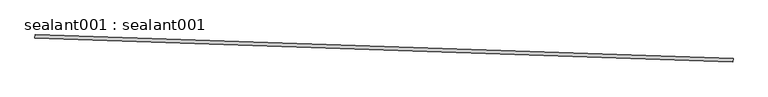
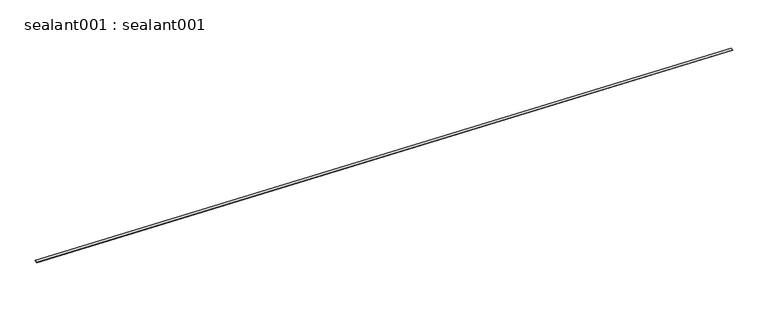
"""IFC4 building model written with IfcOpenShell, lengths in millimetres: proxy geometry, sealant001 : sealant001."""

from ifc_helpers import new_model, si_unit, frame, origin, place, context, project, spatial, polyline, outline, extrude, source, transform, mapped, element, save


def sealant001_sealant001_335ccc27(model_context):
    return source(origin(), model_context, "Body", "SweptSolid", [
        extrude(outline(polyline([(17304.8785814, -14620.2812672), (17307.6775306, -14538.4927905), (34366.4912009, -15122.2761579), (34363.6922518, -15204.0646346), (17304.8785814, -14620.2812672)])), frame((0.0, 0.0, 5714.8672407), z_axis=(0.0, 0.0, 1.0), x_axis=(1.0, 0.0, 0.0)), (0.0, 0.0, 1.0), 4.7625),
    ])


if __name__ == "__main__":
    model = new_model("IFC4")
    model_context = context("Model", 3, world=origin())
    ifc_project = project(units=[si_unit("LENGTHUNIT", "METRE", prefix="MILLI")], contexts=[model_context])
    site = spatial("IfcSite", under=ifc_project)
    building = spatial("IfcBuilding", under=site)
    placement = place(None, origin())
    sealant001_sealant001_shape = sealant001_sealant001_335ccc27(model_context)
    element("IfcBuildingElementProxy", 1, Name="sealant001 : sealant001", ObjectType="sealant001 : sealant001", at=placement, inside=building, context=model_context, shape_type="MappedRepresentation", body=[
        mapped(sealant001_sealant001_shape, transform((0.0, 0.0, 0.0), x_axis=(1.0, 0.0, 0.0), y_axis=(0.0, 1.0, 0.0), z_axis=(0.0, 0.0, 1.0))),
    ])
    save(model, "model.ifc")
